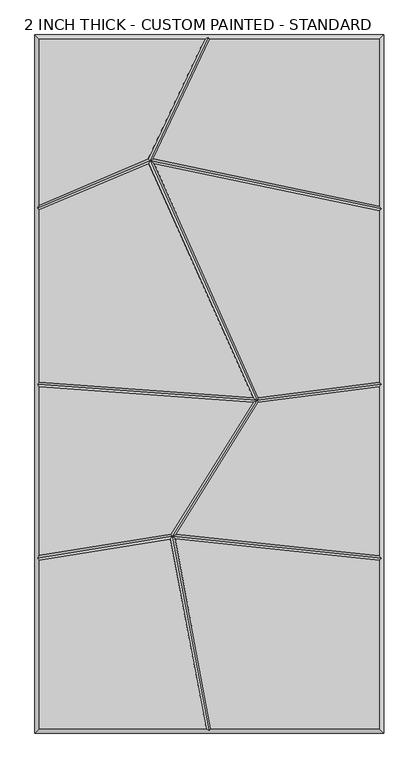
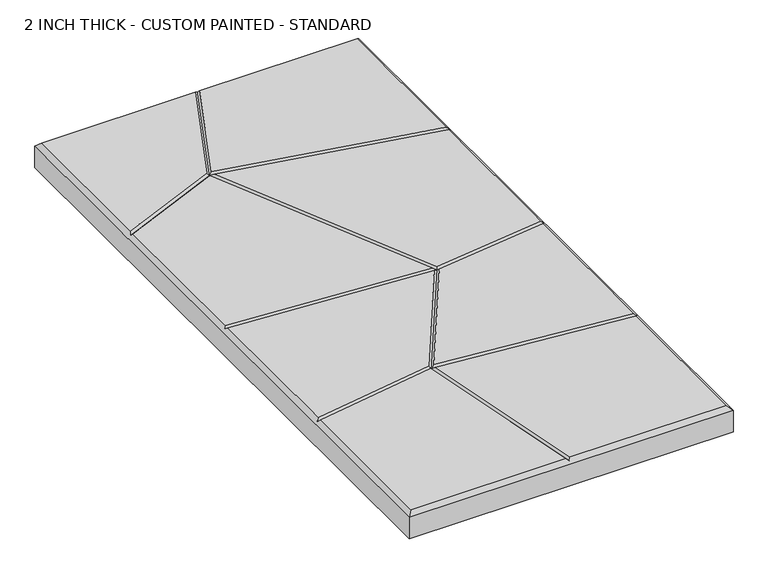
"""IFC4 building model written with IfcOpenShell, lengths in millimetres: proxy geometry, 2 INCH THICK - CUSTOM PAINTED - STANDARD."""

from ifc_helpers import new_model, si_unit, origin, place, context, project, spatial, faceted_brep, source, transform, mapped, element, save


def proxy_2_inch_thick_custom_painted_standard_08981e4d(model_context):
    return source(origin(), model_context, "Body", "Brep", [
        faceted_brep([(-8.2028961, 601.599, 50.8), (-296.799, 601.599, 50.8), (-296.799, 312.5432369, 50.8), (-106.5730663, 393.3098245, 50.8), (-296.799, -601.599, 50.8), (-5.5875044, -601.599, 50.8), (-68.2811687, -270.685629, 50.8), (-296.799, -307.5611441, 50.8), (296.799, 601.599, 50.8), (0.6455208, 601.599, 50.8), (-97.8234472, 393.1006299, 50.8), (296.799, 310.5605776, 50.8), (2.5558226, -601.599, 50.8), (296.799, -601.599, 50.8), (296.799, -307.9855233, 50.8), (-60.1438104, -270.6541244, 50.8), (296.799, 302.386434, 50.8), (-96.7636582, 384.7048187, 50.8), (85.535097, -23.8552953, 50.8), (296.799, 3.0150912, 50.8), (-105.6591812, 385.0055382, 50.8), (-296.799, 303.850931, 50.8), (-296.799, 3.4294067, 50.8), (76.7151864, -23.7240351, 50.8), (296.799, -5.0503652, 50.8), (85.483213, -31.9273507, 50.8), (-58.2987801, -262.8024498, 50.8), (296.799, -299.9408835, 50.8), (76.1939437, -31.7082565, 50.8), (-296.799, -4.5927076, 50.8), (-296.799, -299.4566417, 50.8), (-67.5090689, -262.4565343, 50.8), (-304.8, 609.6, 0.0), (304.8, 609.6, 0.0), (304.8, -609.6, 0.0), (-304.8, -609.6, 0.0), (-304.8, -609.6, 42.799), (-304.8, 609.6, 42.799), (304.8, -609.6, 42.799), (304.8, 609.6, 42.799), (-1.8893438, 605.5995, 46.7995), (-300.7995, -304.1544464, 46.7995), (-300.7995, -0.2908252, 46.7995), (-300.7995, 306.498542, 46.7995), (-0.7579204, -605.5995, 46.7995), (300.7995, 305.6367529, 46.7995), (300.7995, -0.5088185, 46.7995), (300.7995, -304.3816017, 46.7995), (-65.0752426, -266.1160433, 46.7995), (83.0924453, -28.1987012, 46.7995), (-103.6066104, 390.2231766, 46.7995)], [[[0, 1, 2, 3]], [[4, 5, 6, 7]], [[8, 9, 10, 11]], [[12, 13, 14, 15]], [[16, 17, 18, 19]], [[20, 21, 22, 23]], [[24, 25, 26, 27]], [[28, 29, 30, 31]], [[32, 33, 34, 35]], [[32, 35, 36, 37]], [[35, 34, 38, 36]], [[34, 33, 39, 38]], [[33, 32, 37, 39]], [[37, 1, 0, 40, 9, 8, 39]], [[1, 37, 36, 4, 7, 41, 30, 29, 42, 22, 21, 43, 2]], [[4, 36, 38, 13, 12, 44, 5]], [[39, 8, 11, 45, 16, 19, 46, 24, 27, 47, 14, 13, 38]], [[44, 48, 6, 5]], [[48, 44, 12, 15]], [[48, 49, 28, 31]], [[49, 48, 26, 25]], [[49, 50, 20, 23]], [[50, 49, 18, 17]], [[50, 40, 0, 3]], [[40, 50, 10, 9]], [[45, 50, 17, 16]], [[50, 45, 11, 10]], [[50, 43, 21, 20]], [[43, 50, 3, 2]], [[46, 49, 25, 24]], [[49, 46, 19, 18]], [[49, 42, 29, 28]], [[42, 49, 23, 22]], [[47, 48, 15, 14]], [[48, 47, 27, 26]], [[48, 41, 7, 6]], [[41, 48, 31, 30]]]),
    ])


if __name__ == "__main__":
    model = new_model("IFC4")
    model_context = context("Model", 3, world=origin())
    ifc_project = project(units=[si_unit("LENGTHUNIT", "METRE", prefix="MILLI")], contexts=[model_context])
    site = spatial("IfcSite", under=ifc_project)
    building = spatial("IfcBuilding", under=site)
    placement = place(None, origin())
    proxy_2_inch_thick_custom_painted_standard_shape = proxy_2_inch_thick_custom_painted_standard_08981e4d(model_context)
    element("IfcBuildingElementProxy", 1, Name="2 INCH THICK - CUSTOM PAINTED - STANDARD", ObjectType="2 INCH THICK - CUSTOM PAINTED - STANDARD", at=placement, inside=building, context=model_context, shape_type="MappedRepresentation", body=[
        mapped(proxy_2_inch_thick_custom_painted_standard_shape, transform((0.0, 0.0, 0.0), x_axis=(1.0, 0.0, 0.0), y_axis=(0.0, 1.0, 0.0), z_axis=(0.0, 0.0, 1.0))),
    ])
    save(model, "model.ifc")
